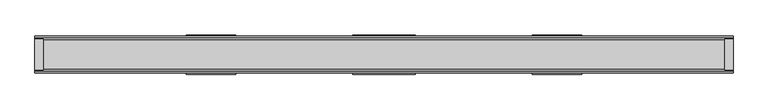
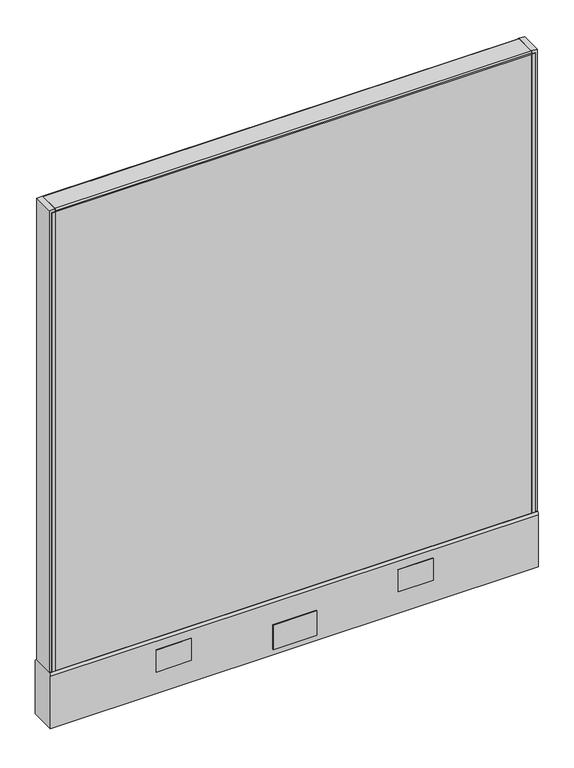
"""IFC4 building model written with IfcOpenShell, lengths in millimetres: furniture geometry."""

import ifcopenshell
import ifcopenshell.guid

model = None  # the IFC model being written
_history = None  # IfcOwnerHistory: only IFC2X3 demands one
_inside = {}  # id of a spatial element -> (the spatial element, [elements in it])
_under = {}  # id of a project, library or spatial element -> (it, [spatial elements below it])
_declared = {}  # id of a project -> (the project, [libraries it declares])
_typed = {}  # id of a type object -> (the type object, [elements of that type])
_made_of = {}  # id of a material, layer set ... -> (it, [elements and type objects made of it])


def new_model(schema):
    """Start an empty IFC model of exactly this schema.

    Asked for "IFC4X3", IfcOpenShell would pick the latest addendum, in which some entities
    have other attributes; the version numbers below select the first issue.
    IFC2X3 requires an IfcOwnerHistory on every rooted entity: one is made here for all.
    """
    global model, _history
    if schema == "IFC4X3":
        model = ifcopenshell.file(schema_version=(4, 3, 0, 0))
    else:
        model = ifcopenshell.file(schema=schema)
    _inside.clear()
    _under.clear()
    _declared.clear()
    _typed.clear()
    _made_of.clear()
    _history = None
    if model.schema == "IFC2X3":
        org = make("IfcOrganization", Name="unknown")
        user = make(
            "IfcPersonAndOrganization",
            ThePerson=make("IfcPerson", FamilyName="unknown"),
            TheOrganization=org,
        )
        app = make(
            "IfcApplication",
            ApplicationDeveloper=org,
            Version="unknown",
            ApplicationFullName="unknown",
            ApplicationIdentifier="unknown",
        )
        _history = make(
            "IfcOwnerHistory",
            OwningUser=user,
            OwningApplication=app,
            ChangeAction="ADDED",
            CreationDate=0,
        )
    return model


def make(cls, **values):
    """One entity of the class cls with the attributes given. An attribute that is None is left unset."""
    return model.create_entity(
        cls, **{name: value for name, value in values.items() if value is not None}
    )


def rooted(cls, **values):
    """An entity with a GlobalId (a new one), such as an element, a storey or a relation."""
    return make(cls, GlobalId=ifcopenshell.guid.new(), OwnerHistory=_history, **values)


def si_unit(unit_type, name, prefix=None):
    """IfcSIUnit, for example si_unit("LENGTHUNIT", "METRE", prefix="MILLI")."""
    return make("IfcSIUnit", UnitType=unit_type, Prefix=prefix, Name=name)


def assignment(units):
    """IfcUnitAssignment: the units of a project."""
    return None if units is None else make("IfcUnitAssignment", Units=units)


def point(xyz):
    """IfcCartesianPoint."""
    return None if xyz is None else make("IfcCartesianPoint", Coordinates=xyz)


def direction(xyz):
    """IfcDirection."""
    return None if xyz is None else make("IfcDirection", DirectionRatios=xyz)


def frame(location, z_axis=None, x_axis=None):
    """IfcAxis2Placement3D, a coordinate frame: its origin and axes. An axis left out is left unset."""
    return make(
        "IfcAxis2Placement3D",
        Location=point(location),
        Axis=direction(z_axis),
        RefDirection=direction(x_axis),
    )


def frame_2d(location, x_axis=None):
    """IfcAxis2Placement2D, a coordinate frame in the plane: its origin and x axis."""
    return make(
        "IfcAxis2Placement2D", Location=point(location), RefDirection=direction(x_axis)
    )


def origin():
    """The frame at (0, 0, 0) with its axes left unset."""
    return frame((0.0, 0.0, 0.0))


def place(relative_to, where):
    """IfcLocalPlacement: puts the frame where relative to a parent placement (None: the world)."""
    return make(
        "IfcLocalPlacement", PlacementRelTo=relative_to, RelativePlacement=where
    )


def context(
    kind, dimensions, precision=None, world=None, true_north=None, identifier=None
):
    """IfcGeometricRepresentationContext, for example the 3D "Model" context."""
    return make(
        "IfcGeometricRepresentationContext",
        ContextIdentifier=identifier,
        ContextType=kind,
        CoordinateSpaceDimension=dimensions,
        Precision=precision,
        WorldCoordinateSystem=world,
        TrueNorth=true_north,
    )


def project(units=None, contexts=None):
    """IfcProject with its units and contexts."""
    return rooted(
        "IfcProject",
        Name="project",
        RepresentationContexts=contexts,
        UnitsInContext=assignment(units),
    )


def spatial(cls, under=None, at=None, **own):
    """A site, building, storey or space (cls), placed at a placement, below another one or the project."""
    s = rooted(cls, ObjectPlacement=at, **own)
    if under is not None:
        _under.setdefault(under.id(), (under, []))[1].append(s)
    return s


def polyline(points):
    """IfcPolyline through the points."""
    return make("IfcPolyline", Points=[point(p) for p in points])


def circle_curve(where, radius):
    """IfcCircle in the frame where."""
    return make("IfcCircle", Position=where, Radius=radius)


def trimmed(basis, trim1, trim2, sense, master):
    """IfcTrimmedCurve: the piece of a basis curve between two trims."""
    return make(
        "IfcTrimmedCurve",
        BasisCurve=basis,
        Trim1=trim1,
        Trim2=trim2,
        SenseAgreement=sense,
        MasterRepresentation=master,
    )


def segment(curve, same_sense, transition):
    """IfcCompositeCurveSegment."""
    return make(
        "IfcCompositeCurveSegment",
        Transition=transition,
        SameSense=same_sense,
        ParentCurve=curve,
    )


def composite_curve(segments, self_intersect=None):
    """IfcCompositeCurve: segments joined end to end."""
    return make("IfcCompositeCurve", Segments=segments, SelfIntersect=self_intersect)


def outline(outer, holes=None, kind="AREA"):
    """IfcArbitraryClosedProfileDef: a profile drawn as a closed curve; with holes, ...WithVoids."""
    if holes is None:
        return make("IfcArbitraryClosedProfileDef", ProfileType=kind, OuterCurve=outer)
    return make(
        "IfcArbitraryProfileDefWithVoids",
        ProfileType=kind,
        OuterCurve=outer,
        InnerCurves=holes,
    )


def extrude(swept, where, along, depth):
    """IfcExtrudedAreaSolid: the profile swept, set in the frame where, extruded along a direction by depth."""
    return make(
        "IfcExtrudedAreaSolid",
        SweptArea=swept,
        Position=where,
        ExtrudedDirection=direction(along),
        Depth=depth,
    )


def shape(context_of_items, identifier, shape_type, items):
    """IfcShapeRepresentation: the items that make up one representation, for example the "Body"."""
    return make(
        "IfcShapeRepresentation",
        ContextOfItems=context_of_items,
        RepresentationIdentifier=identifier,
        RepresentationType=shape_type,
        Items=items,
    )


def source(mapping_origin, context_of_items, identifier, shape_type, items):
    """IfcRepresentationMap: a shape defined once, which mapped items show again and again."""
    return make(
        "IfcRepresentationMap",
        MappingOrigin=mapping_origin,
        MappedRepresentation=shape(context_of_items, identifier, shape_type, items),
    )


def transform(
    local_origin,
    x_axis=None,
    y_axis=None,
    z_axis=None,
    scale=None,
    scale2=None,
    scale3=None,
    uniform=True,
):
    """IfcCartesianTransformationOperator3D, or its non-uniform kind. x_axis, y_axis, z_axis: its Axis1, 2, 3."""
    if uniform:
        return make(
            "IfcCartesianTransformationOperator3D",
            Axis1=direction(x_axis),
            Axis2=direction(y_axis),
            LocalOrigin=point(local_origin),
            Scale=scale,
            Axis3=direction(z_axis),
        )
    return make(
        "IfcCartesianTransformationOperator3DnonUniform",
        Axis1=direction(x_axis),
        Axis2=direction(y_axis),
        LocalOrigin=point(local_origin),
        Scale=scale,
        Axis3=direction(z_axis),
        Scale2=scale2,
        Scale3=scale3,
    )


def mapped(mapping_source, mapping_target):
    """IfcMappedItem: shows the shape of a source again, moved by a transform."""
    return make(
        "IfcMappedItem", MappingSource=mapping_source, MappingTarget=mapping_target
    )


def made_of(thing, what):
    """Note that an element or type object is made of a material, layer set ...; save() writes the relation."""
    if what is not None:
        _made_of.setdefault(what.id(), (what, []))[1].append(thing)
    return thing


def element(
    cls,
    number,
    at=None,
    inside=None,
    cuts=None,
    type_object=None,
    material=None,
    context=None,
    identifier="Body",
    shape_type=None,
    held_by="IfcProductDefinitionShape",
    body=None,
    shapes=None,
    **own,
):
    """One element of the class cls, such as IfcWall. Its Tag is "e" and its number.

    at: its placement. inside: the storey or other place that contains it. cuts: it is an
    opening in that element (IfcRelVoidsElement). A single representation is given by context,
    identifier, shape_type and body (its items); several are given by shapes. held_by: the class
    of the entity that holds the representations. save() writes the other relations.
    """
    e = rooted(cls, Tag="e%d" % number, ObjectPlacement=at, **own)
    if body is not None:
        shapes = [shape(context, identifier, shape_type, body)]
    if shapes is not None:
        e.Representation = make(held_by, Representations=shapes)
    if inside is not None:
        _inside.setdefault(inside.id(), (inside, []))[1].append(e)
    if cuts is not None:
        rooted(
            "IfcRelVoidsElement", RelatingBuildingElement=cuts, RelatedOpeningElement=e
        )
    if type_object is not None:
        _typed.setdefault(type_object.id(), (type_object, []))[1].append(e)
    return made_of(e, material)


def aggregate(whole, parts):
    """IfcRelAggregates: a whole, such as a stair, and the parts it consists of."""
    return rooted("IfcRelAggregates", RelatingObject=whole, RelatedObjects=parts)


def save(model, path):
    """Write the relations noted so far, then the file.

    IfcRelAggregates (storeys below a building ...), IfcRelContainedInSpatialStructure (elements
    in a storey), IfcRelDefinesByType, IfcRelAssociatesMaterial and IfcRelDeclares: one each for
    every whole, place, type object, material and project.
    """
    for whole, parts in _under.values():
        aggregate(whole, parts)
    for where, things in _inside.values():
        rooted(
            "IfcRelContainedInSpatialStructure",
            RelatedElements=things,
            RelatingStructure=where,
        )
    for kind, things in _typed.values():
        rooted("IfcRelDefinesByType", RelatedObjects=things, RelatingType=kind)
    for what, things in _made_of.values():
        rooted("IfcRelAssociatesMaterial", RelatedObjects=things, RelatingMaterial=what)
    for by, libraries in _declared.values():
        rooted("IfcRelDeclares", RelatingContext=by, RelatedDefinitions=libraries)
    model.write(path)


def plane_surface(at):
    """IfcPlane: the flat surface through the origin of the frame at, square to its z axis."""
    return make("IfcPlane", Position=at)


def cylinder_surface(at, radius):
    """IfcCylindricalSurface: all points at the distance radius from the z axis of the frame at."""
    return make("IfcCylindricalSurface", Position=at, Radius=radius)


def advanced_brep(points, edges, surfaces, faces):
    """IfcAdvancedBrep: a solid bounded by faces that lie on surfaces and meet in shared edges.

    An edge is (start, end): straight between two places in points (the first is 0);
    or (start, end, curve); or (start, end, curve, False) where it runs against its curve.
    A face is (place in surfaces, loops), or (place, loops, False) where it looks against
    its surface's normal. A loop lists edges by number (the first is 1), with a minus sign
    where the edge is run from its end to its start. The first loop is the outer one.
    """
    corners = [point(p) for p in points]
    vertices = [make("IfcVertexPoint", VertexGeometry=c) for c in corners]
    made = []
    for start, end, *more in edges:
        made.append(
            make(
                "IfcEdgeCurve",
                EdgeStart=vertices[start],
                EdgeEnd=vertices[end],
                EdgeGeometry=more[0] if more else make("IfcPolyline", Points=[corners[start], corners[end]]),
                SameSense=more[1] if len(more) > 1 else True,
            )
        )
    hull = []
    for where, loops, *sense in faces:
        bounds = []
        for j, loop in enumerate(loops):
            ring = [make("IfcOrientedEdge", EdgeElement=made[abs(k) - 1], Orientation=k > 0) for k in loop]
            bounds.append(
                make(
                    "IfcFaceOuterBound" if j == 0 else "IfcFaceBound",
                    Bound=make("IfcEdgeLoop", EdgeList=ring),
                    Orientation=True,
                )
            )
        hull.append(make("IfcAdvancedFace", Bounds=bounds, FaceSurface=surfaces[where], SameSense=sense[0] if sense else True))
    return make("IfcAdvancedBrep", Outer=make("IfcClosedShell", CfsFaces=hull))


def furniture_a271e2b4(model_context):
    return source(origin(), model_context, "Body", "SolidModel", [
        extrude(outline(polyline([(520.7039688, 25.4), (520.7039688, 0.0), (-520.6960312, 0.0), (-520.6960312, 25.4), (520.7039688, 25.4)])), frame((0.0, 0.0, 136.525), z_axis=(0.0, 0.0, 1.0), x_axis=(1.0, 0.0, 0.0)), (0.0, 0.0, 1.0), 1060.45),
        extrude(outline(polyline([(47.6289688, 28.575), (-47.6210312, 28.575), (-47.6210312, 30.1625), (47.6289688, 30.1625), (47.6289688, 28.575)])), frame((0.0, 0.0, 22.225), z_axis=(0.0, 0.0, 1.0), x_axis=(1.0, 0.0, 0.0)), (0.0, 0.0, 1.0), 57.15),
        extrude(outline(polyline([(47.6289688, -30.1625), (-47.6210312, -30.1625), (-47.6210312, -28.575), (47.6289688, -28.575), (47.6289688, -30.1625)])), frame((0.0, 0.0, 22.225), z_axis=(0.0, 0.0, 1.0), x_axis=(1.0, 0.0, 0.0)), (0.0, 0.0, 1.0), 57.15),
        advanced_brep(
        [(476.25, 0.0, 0.0), (501.65, 0.0, 0.0), (488.95, 0.0, 0.0), (476.25, 0.0, 4.7625), (501.65, 0.0, 4.7625), (482.6, 0.0, 4.7625), (495.3, 0.0, 4.7625), (482.6, 0.0, 111.125), (495.3, 0.0, 111.125), (488.95, 0.0, 111.125)],
        [
            (0, 1, circle_curve(frame((488.95, 0.0, 0.0), z_axis=(0.0, 0.0, -1.0), x_axis=(1.0, 0.0, 0.0)), 12.7)),
            (1, 2),
            (2, 0),
            (1, 0, circle_curve(frame((488.95, 0.0, 0.0), z_axis=(0.0, 0.0, -1.0), x_axis=(1.0, 0.0, 0.0)), 12.7)),
            (3, 4, circle_curve(frame((488.95, 0.0, 4.7625), z_axis=(0.0, 0.0, -1.0), x_axis=(1.0, 0.0, 0.0)), 12.7)),
            (4, 1),
            (0, 3),
            (4, 3, circle_curve(frame((488.95, 0.0, 4.7625), z_axis=(0.0, 0.0, -1.0), x_axis=(1.0, 0.0, 0.0)), 12.7)),
            (5, 6, circle_curve(frame((488.95, 0.0, 4.7625), z_axis=(0.0, 0.0, -1.0), x_axis=(1.0, 0.0, 0.0)), 6.35)),
            (6, 4),
            (3, 5),
            (6, 5, circle_curve(frame((488.95, 0.0, 4.7625), z_axis=(0.0, 0.0, -1.0), x_axis=(1.0, 0.0, 0.0)), 6.35)),
            (7, 8, circle_curve(frame((488.95, 0.0, 111.125), z_axis=(0.0, 0.0, -1.0), x_axis=(1.0, 0.0, 0.0)), 6.35)),
            (8, 6),
            (5, 7),
            (8, 7, circle_curve(frame((488.95, 0.0, 111.125), z_axis=(0.0, 0.0, -1.0), x_axis=(1.0, 0.0, 0.0)), 6.35)),
            (9, 8),
            (7, 9),
        ],
        [
            plane_surface(frame((488.95, 0.0, 0.0), z_axis=(0.0, 0.0, -1.0), x_axis=(1.0, 0.0, 0.0))),
            cylinder_surface(frame((488.95, 0.0, 114.882153), z_axis=(0.0, 0.0, 1.0), x_axis=(1.0, 0.0, 0.0)), 12.7),
            plane_surface(frame((488.95, 0.0, 4.7625), z_axis=(0.0, 0.0, 1.0), x_axis=(1.0, 0.0, 0.0))),
            cylinder_surface(frame((488.95, 0.0, 114.882153), z_axis=(0.0, 0.0, 1.0), x_axis=(1.0, 0.0, 0.0)), 6.35),
            plane_surface(frame((488.95, 0.0, 111.125), z_axis=(0.0, 0.0, 1.0), x_axis=(1.0, 0.0, 0.0))),
        ],
        [
            (0, [[1, 2, 3]]),
            (0, [[4, -3, -2]]),
            (1, [[5, 6, -1, 7]]),
            (1, [[8, -7, -4, -6]]),
            (2, [[9, 10, -5, 11]]),
            (2, [[12, -11, -8, -10]]),
            (3, [[13, 14, -9, 15]]),
            (3, [[16, -15, -12, -14]]),
            (4, [[17, -13, 18]]),
            (4, [[-18, -16, -17]]),
        ],
    ),
        advanced_brep(
        [(-501.65, 0.0, 4.7625), (-476.25, 0.0, 4.7625), (-476.25, 0.0, 0.0), (-501.65, 0.0, 0.0), (-495.3, 0.0, 4.7625), (-482.6, 0.0, 4.7625), (-495.3, 0.0, 111.125), (-482.6, 0.0, 111.125), (-488.95, 0.0, 111.125), (-488.95, 0.0, 0.0)],
        [
            (0, 1, circle_curve(frame((-488.95, 0.0, 4.7625), z_axis=(0.0, 0.0, -1.0), x_axis=(1.0, 0.0, 0.0)), 12.7)),
            (1, 2),
            (2, 3, circle_curve(frame((-488.95, 0.0, 0.0), z_axis=(0.0, 0.0, 1.0), x_axis=(1.0, 0.0, 0.0)), 12.7)),
            (3, 0),
            (1, 0, circle_curve(frame((-488.95, 0.0, 4.7625), z_axis=(0.0, 0.0, -1.0), x_axis=(1.0, 0.0, 0.0)), 12.7)),
            (3, 2, circle_curve(frame((-488.95, 0.0, 0.0), z_axis=(0.0, 0.0, 1.0), x_axis=(1.0, 0.0, 0.0)), 12.7)),
            (4, 5, circle_curve(frame((-488.95, 0.0, 4.7625), z_axis=(0.0, 0.0, -1.0), x_axis=(1.0, 0.0, 0.0)), 6.35)),
            (5, 1),
            (0, 4),
            (5, 4, circle_curve(frame((-488.95, 0.0, 4.7625), z_axis=(0.0, 0.0, -1.0), x_axis=(1.0, 0.0, 0.0)), 6.35)),
            (6, 7, circle_curve(frame((-488.95, 0.0, 111.125), z_axis=(0.0, 0.0, -1.0), x_axis=(1.0, 0.0, 0.0)), 6.35)),
            (7, 5),
            (4, 6),
            (7, 6, circle_curve(frame((-488.95, 0.0, 111.125), z_axis=(0.0, 0.0, -1.0), x_axis=(1.0, 0.0, 0.0)), 6.35)),
            (8, 7),
            (6, 8),
            (2, 9),
            (9, 3),
        ],
        [
            cylinder_surface(frame((-488.95, 0.0, 123.825), z_axis=(0.0, 0.0, 1.0), x_axis=(1.0, 0.0, 0.0)), 12.7),
            plane_surface(frame((-488.95, 0.0, 4.7625), z_axis=(0.0, 0.0, 1.0), x_axis=(1.0, 0.0, 0.0))),
            cylinder_surface(frame((-488.95, 0.0, 123.825), z_axis=(0.0, 0.0, 1.0), x_axis=(1.0, 0.0, 0.0)), 6.35),
            plane_surface(frame((-488.95, 0.0, 111.125), z_axis=(0.0, 0.0, 1.0), x_axis=(1.0, 0.0, 0.0))),
            plane_surface(frame((-488.95, 0.0, 0.0), z_axis=(0.0, 0.0, -1.0), x_axis=(1.0, 0.0, 0.0))),
        ],
        [
            (0, [[1, 2, 3, 4]]),
            (0, [[5, -4, 6, -2]]),
            (1, [[7, 8, -1, 9]]),
            (1, [[10, -9, -5, -8]]),
            (2, [[11, 12, -7, 13]]),
            (2, [[14, -13, -10, -12]]),
            (3, [[15, -11, 16]]),
            (3, [[-16, -14, -15]]),
            (4, [[-3, 17, 18]]),
            (4, [[-6, -18, -17]]),
        ],
    ),
        extrude(outline(polyline([(-533.3960312, 23.8125), (-520.6960312, 23.8125), (-520.6960312, -23.8125), (-533.3960312, -23.8125), (-533.3960312, 23.8125)])), frame((0.0, 0.0, 136.525), z_axis=(0.0, 0.0, 1.0), x_axis=(1.0, 0.0, 0.0)), (0.0, 0.0, 1.0), 1066.8),
        extrude(outline(polyline([(533.4039688, 23.8125), (533.4039688, -23.8125), (520.7039688, -23.8125), (520.7039688, 23.8125), (533.4039688, 23.8125)])), frame((0.0, 0.0, 136.525), z_axis=(0.0, 0.0, 1.0), x_axis=(1.0, 0.0, 0.0)), (0.0, 0.0, 1.0), 1066.8),
        extrude(outline(polyline([(-520.7, 25.4), (-520.7, 23.8125), (-528.6375, 23.8125), (-528.6375, 25.4), (-520.7, 25.4)])), frame((0.0, 0.0, 136.525), z_axis=(0.0, 0.0, 1.0), x_axis=(1.0, 0.0, 0.0)), (0.0, 0.0, 1.0), 1060.45),
        extrude(outline(polyline([(-520.7, -25.4), (-528.6375, -25.4), (-528.6375, -23.8125), (-520.7, -23.8125), (-520.7, -25.4)])), frame((0.0, 0.0, 136.525), z_axis=(0.0, 0.0, 1.0), x_axis=(1.0, 0.0, 0.0)), (0.0, 0.0, 1.0), 1060.45),
        extrude(outline(polyline([(528.6375, 25.4), (528.6375, 23.8125), (520.7, 23.8125), (520.7, 25.4), (528.6375, 25.4)])), frame((0.0, 0.0, 136.525), z_axis=(0.0, 0.0, 1.0), x_axis=(1.0, 0.0, 0.0)), (0.0, 0.0, 1.0), 1060.45),
        extrude(outline(polyline([(520.7, -23.8125), (528.6375, -23.8125), (528.6375, -25.4), (520.7, -25.4), (520.7, -23.8125)])), frame((0.0, 0.0, 136.525), z_axis=(0.0, 0.0, 1.0), x_axis=(1.0, 0.0, 0.0)), (0.0, 0.0, 1.0), 1060.45),
        extrude(outline(composite_curve([segment(trimmed(circle_curve(frame_2d((22.225, 1200.15)), 3.175), [point((22.225, 1203.325))], [point((25.4, 1200.15))], False, "CARTESIAN"), True, "CONTINUOUS"), segment(polyline([(25.4, 1200.15), (25.4, 1196.975), (-25.4, 1196.975), (-25.4, 1200.15)]), True, "CONTINUOUS"), segment(trimmed(circle_curve(frame_2d((-22.225, 1200.15)), 3.175), [point((-25.4, 1200.15))], [point((-22.225, 1203.325))], False, "CARTESIAN"), True, "CONTINUOUS"), segment(polyline([(-22.225, 1203.325), (22.225, 1203.325)]), True, "CONTINUOUS")], self_intersect=False)), frame((-520.6960312, 0.0, 0.0), z_axis=(1.0, 0.0, 0.0), x_axis=(0.0, 1.0, 0.0)), (0.0, 0.0, 1.0), 1041.4),
        extrude(outline(polyline([(302.5179688, 30.1625), (302.5179688, 28.575), (226.2101528, 28.575), (226.2101528, 30.1625), (302.5179688, 30.1625)])), frame((0.0, 0.0, 60.325), z_axis=(0.0, 0.0, 1.0), x_axis=(1.0, 0.0, 0.0)), (0.0, 0.0, 1.0), 50.8),
        extrude(outline(polyline([(-226.2022153, 30.1625), (-226.2022153, 28.575), (-302.5100312, 28.575), (-302.5100312, 30.1625), (-226.2022153, 30.1625)])), frame((0.0, 0.0, 60.325), z_axis=(0.0, 0.0, 1.0), x_axis=(1.0, 0.0, 0.0)), (0.0, 0.0, 1.0), 50.8),
        extrude(outline(polyline([(302.5179688, -28.575), (302.5179688, -30.1625), (226.2101528, -30.1625), (226.2101528, -28.575), (302.5179688, -28.575)])), frame((0.0, 0.0, 60.325), z_axis=(0.0, 0.0, 1.0), x_axis=(1.0, 0.0, 0.0)), (0.0, 0.0, 1.0), 50.8),
        extrude(outline(polyline([(-226.2022153, -28.575), (-226.2022153, -30.1625), (-302.5100312, -30.1625), (-302.5100312, -28.575), (-226.2022153, -28.575)])), frame((0.0, 0.0, 60.325), z_axis=(0.0, 0.0, 1.0), x_axis=(1.0, 0.0, 0.0)), (0.0, 0.0, 1.0), 50.8),
        extrude(outline(composite_curve([segment(trimmed(circle_curve(frame_2d((20.6375, 130.175)), 7.9375), [point((25.4, 136.525))], [point((28.575, 130.175))], False, "CARTESIAN"), True, "CONTINUOUS"), segment(polyline([(28.575, 130.175), (28.575, 9.525), (-28.575, 9.525), (-28.575, 130.175)]), True, "CONTINUOUS"), segment(trimmed(circle_curve(frame_2d((-20.6375, 130.175)), 7.9375), [point((-28.575, 130.175))], [point((-25.4, 136.525))], False, "CARTESIAN"), True, "CONTINUOUS"), segment(polyline([(-25.4, 136.525), (25.4, 136.525)]), True, "CONTINUOUS")], self_intersect=False)), frame((-533.3960312, 0.0, 0.0), z_axis=(1.0, 0.0, 0.0), x_axis=(0.0, 1.0, 0.0)), (0.0, 0.0, 1.0), 1066.8),
        extrude(outline(polyline([(520.7039688, 0.0), (520.7039688, -25.4), (-520.6960312, -25.4), (-520.6960312, 0.0), (520.7039688, 0.0)])), frame((0.0, 0.0, 136.525), z_axis=(0.0, 0.0, 1.0), x_axis=(1.0, 0.0, 0.0)), (0.0, 0.0, 1.0), 1060.45),
    ])


if __name__ == "__main__":
    model = new_model("IFC4")
    model_context = context("Model", 3, world=origin())
    ifc_project = project(units=[si_unit("LENGTHUNIT", "METRE", prefix="MILLI")], contexts=[model_context])
    site = spatial("IfcSite", under=ifc_project)
    building = spatial("IfcBuilding", under=site)
    placement = place(None, origin())
    furniture_shape = furniture_a271e2b4(model_context)
    element("IfcFurniture", 1, at=placement, inside=building, context=model_context, shape_type="MappedRepresentation", body=[
        mapped(furniture_shape, transform((0.0, 0.0, 0.0), x_axis=(1.0, 0.0, 0.0), y_axis=(0.0, 1.0, 0.0), z_axis=(0.0, 0.0, 1.0))),
    ])
    save(model, "model.ifc")
